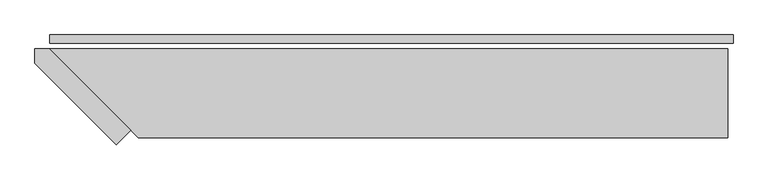
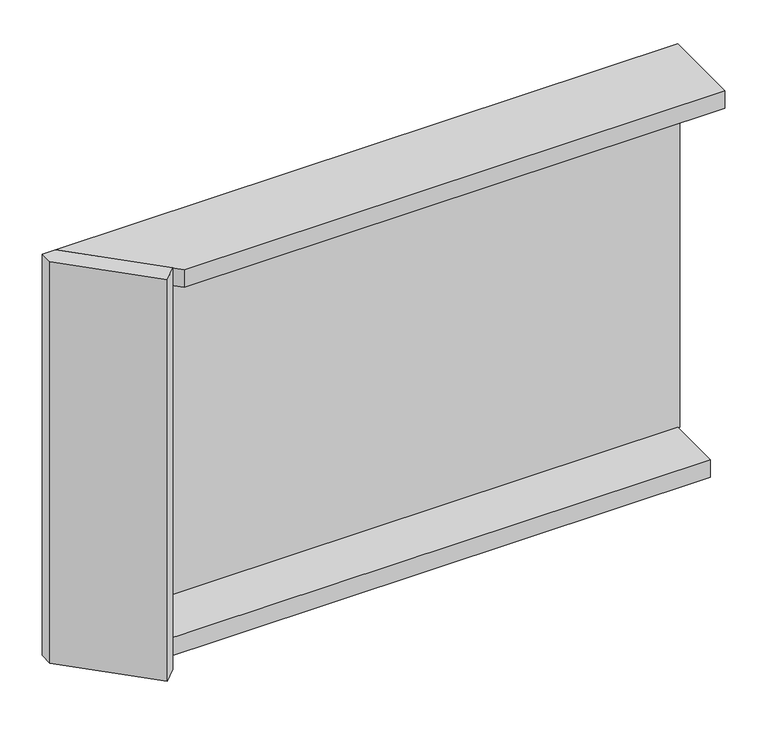
"""IFC4 building model written with IfcOpenShell, lengths in millimetres: plate geometry."""

from ifc_helpers import new_model, si_unit, frame, origin, origin_with_axes, place, context, project, spatial, polyline, outline, extrude, source, transform, mapped, element, save


def plate_9314ab71(model_context):
    return source(origin(), model_context, "Body", "SweptSolid", [
        extrude(outline(polyline([(1000.5, 0.0), (1000.5, -25.0), (-1000.5, -25.0), (-1000.5, 0.0), (1000.5, 0.0)])), origin_with_axes(), (0.0, 0.0, 1.0), 1264.465707),
        extrude(outline(polyline([(-763.5, -278.5735931), (-805.9264069, -321.0), (-1043.5, -83.4264069), (-1043.5, -41.0), (-1001.0735931, -41.0), (-763.5, -278.5735931)])), frame((0.0, 0.0, -45.0), z_axis=(0.0, 0.0, 1.0), x_axis=(1.0, 0.0, 0.0)), (0.0, 0.0, 1.0), 1354.465707),
        extrude(outline(polyline([(985.5, -221.0), (-821.0735931, -221.0), (-1001.0735931, -41.0), (985.5, -41.0), (985.5, -221.0)])), frame((0.0, 0.0, -45.0), z_axis=(0.0, 0.0, 1.0), x_axis=(1.0, 0.0, 0.0)), (0.0, 0.0, 1.0), 60.0),
        extrude(outline(polyline([(985.5, -301.0), (-741.0735931, -301.0), (-1001.0735931, -41.0), (985.5, -41.0), (985.5, -301.0)])), frame((0.0, 0.0, 1249.465707), z_axis=(0.0, 0.0, 1.0), x_axis=(1.0, 0.0, 0.0)), (0.0, 0.0, 1.0), 60.0),
    ])


if __name__ == "__main__":
    model = new_model("IFC4")
    model_context = context("Model", 3, world=origin())
    ifc_project = project(units=[si_unit("LENGTHUNIT", "METRE", prefix="MILLI")], contexts=[model_context])
    site = spatial("IfcSite", under=ifc_project)
    building = spatial("IfcBuilding", under=site)
    placement = place(None, origin())
    plate_shape = plate_9314ab71(model_context)
    element("IfcPlate", 1, at=placement, inside=building, context=model_context, shape_type="MappedRepresentation", body=[
        mapped(plate_shape, transform((0.0, 0.0, 0.0), x_axis=(1.0, 0.0, 0.0), y_axis=(0.0, 1.0, 0.0), z_axis=(0.0, 0.0, 1.0))),
    ])
    save(model, "model.ifc")
